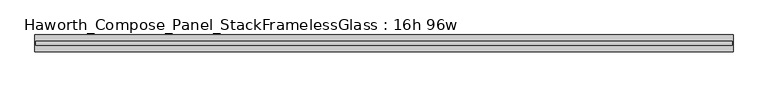
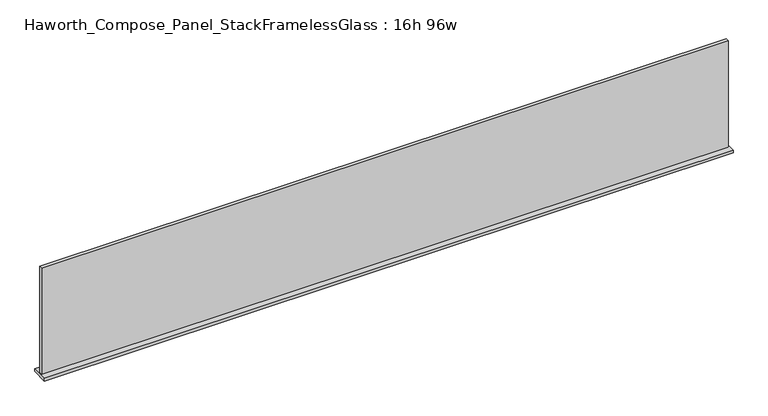
"""IFC4 building model written with IfcOpenShell, lengths in millimetres: furniture geometry, Haworth_Compose_Panel_StackFramelessGlass : 16h 96w."""

from ifc_helpers import new_model, si_unit, frame, origin, place, context, project, spatial, polyline, outline, extrude, source, transform, mapped, element, save


def haworth_compose_panel_stackframelessglass_16h_96w_052369e9(model_context):
    return source(origin(), model_context, "Body", "SweptSolid", [
        extrude(outline(polyline([(1218.4652902, -27.3093594), (-1213.5847098, -27.3093594), (-1213.5847098, -14.6093594), (1218.4652902, -14.6093594), (1218.4652902, -27.3093594)])), frame((0.0, 0.0, 1279.525), z_axis=(0.0, 0.0, 1.0), x_axis=(1.0, 0.0, 0.0)), (0.0, 0.0, 1.0), 396.875),
        extrude(outline(polyline([(-1216.7597098, -50.3281094), (-1216.7597098, 8.4093906), (1221.6402902, 8.4093906), (1221.6402902, -50.3281094), (-1216.7597098, -50.3281094)])), frame((0.0, 0.0, 1270.0), z_axis=(0.0, 0.0, 1.0), x_axis=(1.0, 0.0, 0.0)), (0.0, 0.0, 1.0), 9.525),
    ])


if __name__ == "__main__":
    model = new_model("IFC4")
    model_context = context("Model", 3, world=origin())
    ifc_project = project(units=[si_unit("LENGTHUNIT", "METRE", prefix="MILLI")], contexts=[model_context])
    site = spatial("IfcSite", under=ifc_project)
    building = spatial("IfcBuilding", under=site)
    placement = place(None, origin())
    haworth_compose_panel_stackframelessglass_16h_96w_shape = haworth_compose_panel_stackframelessglass_16h_96w_052369e9(model_context)
    element("IfcFurniture", 1, ObjectType="Haworth_Compose_Panel_StackFramelessGlass : 16h 96w", at=placement, inside=building, context=model_context, shape_type="MappedRepresentation", body=[
        mapped(haworth_compose_panel_stackframelessglass_16h_96w_shape, transform((0.0, 0.0, 0.0), x_axis=(1.0, 0.0, 0.0), y_axis=(0.0, 1.0, 0.0), z_axis=(0.0, 0.0, 1.0))),
    ])
    save(model, "model.ifc")
